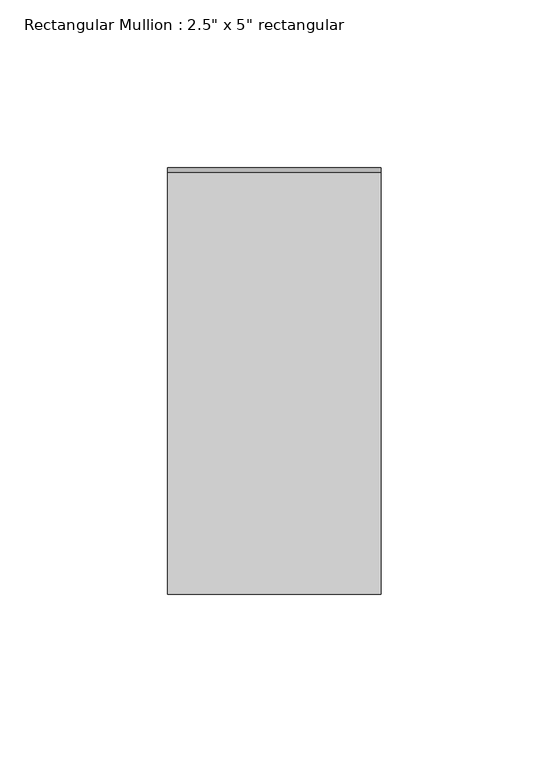
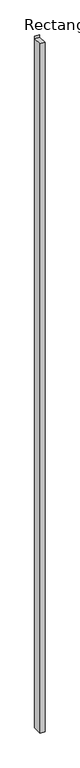
"""IFC4 building model written with IfcOpenShell, lengths in millimetres: member geometry."""

from ifc_helpers import new_model, si_unit, frame, origin, place, context, project, spatial, polyline, outline, extrude, source, transform, mapped, element, save


def member_dfc74938(model_context):
    return source(origin(), model_context, "Body", "SweptSolid", [
        extrude(outline(polyline([(-63.5, 2.5909741), (62.1382413, -2.588775), (63.5, 30.441583), (63.5, -9774.0741056), (-63.5, -9774.0741056), (-63.5, 2.5909741)])), frame((-63.5, 0.0, 0.0), z_axis=(1.0, 0.0, 0.0), x_axis=(0.0, 1.0, 0.0)), (0.0, 0.0, 1.0), 63.5),
    ])


if __name__ == "__main__":
    model = new_model("IFC4")
    model_context = context("Model", 3, world=origin())
    ifc_project = project(units=[si_unit("LENGTHUNIT", "METRE", prefix="MILLI")], contexts=[model_context])
    site = spatial("IfcSite", under=ifc_project)
    building = spatial("IfcBuilding", under=site)
    placement = place(None, origin())
    member_shape = member_dfc74938(model_context)
    element("IfcMember", 1, ObjectType="Rectangular Mullion : 2.5\" x 5\" rectangular", at=placement, inside=building, context=model_context, shape_type="MappedRepresentation", body=[
        mapped(member_shape, transform((0.0, 0.0, 0.0), x_axis=(1.0, 0.0, 0.0), y_axis=(0.0, 1.0, 0.0), z_axis=(0.0, 0.0, 1.0))),
    ])
    save(model, "model.ifc")
